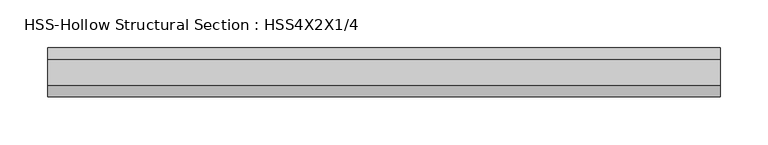
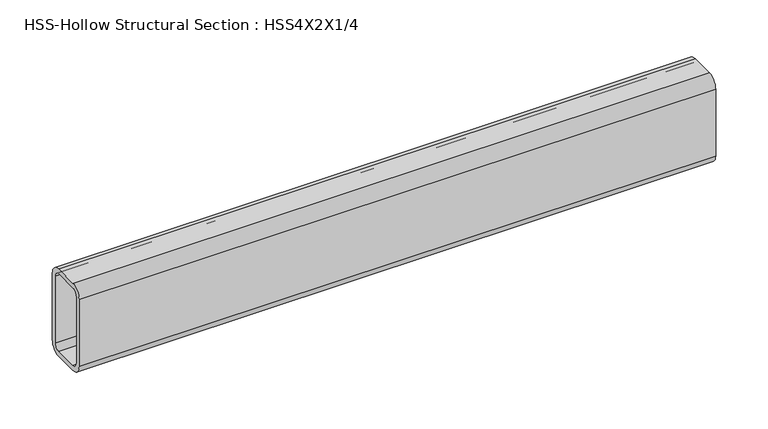
"""IFC4 building model written with IfcOpenShell, lengths in millimetres: beam geometry, HSS-Hollow Structural Section : HSS4X2X1/4."""

from ifc_helpers import new_model, si_unit, point, frame, frame_2d, origin, place, context, project, spatial, polyline, circle_curve, trimmed, segment, composite_curve, outline, extrude, source, transform, mapped, element, save


def hss_hollow_structural_section_hss4x2x1_4_0cab690e(model_context):
    return source(origin(), model_context, "Body", "SweptSolid", [
        extrude(outline(composite_curve([segment(polyline([(25.4, 38.9636), (25.4, -38.9636)]), True, "CONTINUOUS"), segment(trimmed(circle_curve(frame_2d((13.5636, -38.9636)), 11.8364), [point((25.4, -38.9636))], [point((13.5636, -50.8))], False, "CARTESIAN"), True, "CONTINUOUS"), segment(polyline([(13.5636, -50.8), (-13.5636, -50.8)]), True, "CONTINUOUS"), segment(trimmed(circle_curve(frame_2d((-13.5636, -38.9636)), 11.8364), [point((-13.5636, -50.8))], [point((-25.4, -38.9636))], False, "CARTESIAN"), True, "CONTINUOUS"), segment(polyline([(-25.4, -38.9636), (-25.4, 38.9636)]), True, "CONTINUOUS"), segment(trimmed(circle_curve(frame_2d((-13.5636, 38.9636)), 11.8364), [point((-25.4, 38.9636))], [point((-13.5636, 50.8))], False, "CARTESIAN"), True, "CONTINUOUS"), segment(polyline([(-13.5636, 50.8), (13.5636, 50.8)]), True, "CONTINUOUS"), segment(trimmed(circle_curve(frame_2d((13.5636, 38.9636)), 11.8364), [point((13.5636, 50.8))], [point((25.4, 38.9636))], False, "CARTESIAN"), True, "CONTINUOUS")], self_intersect=False), holes=[composite_curve([segment(trimmed(circle_curve(frame_2d((-13.5636, 38.9636)), 5.9182), [point((-13.5636, 44.8818))], [point((-19.4818, 38.9636))], True, "CARTESIAN"), True, "CONTINUOUS"), segment(polyline([(-19.4818, 38.9636), (-19.4818, -38.9636)]), True, "CONTINUOUS"), segment(trimmed(circle_curve(frame_2d((-13.5636, -38.9636)), 5.9182), [point((-19.4818, -38.9636))], [point((-13.5636, -44.8818))], True, "CARTESIAN"), True, "CONTINUOUS"), segment(polyline([(-13.5636, -44.8818), (13.5636, -44.8818)]), True, "CONTINUOUS"), segment(trimmed(circle_curve(frame_2d((13.5636, -38.9636)), 5.9182), [point((13.5636, -44.8818))], [point((19.4818, -38.9636))], True, "CARTESIAN"), True, "CONTINUOUS"), segment(polyline([(19.4818, -38.9636), (19.4818, 38.9636)]), True, "CONTINUOUS"), segment(trimmed(circle_curve(frame_2d((13.5636, 38.9636)), 5.9182), [point((19.4818, 38.9636))], [point((13.5636, 44.8818))], True, "CARTESIAN"), True, "CONTINUOUS"), segment(polyline([(13.5636, 44.8818), (-13.5636, 44.8818)]), True, "CONTINUOUS")], self_intersect=False)]), frame((-350.1998203, 0.0, 0.0), z_axis=(1.0, 0.0, 0.0), x_axis=(0.0, 1.0, 0.0)), (0.0, 0.0, 1.0), 700.3996407),
    ])


if __name__ == "__main__":
    model = new_model("IFC4")
    model_context = context("Model", 3, world=origin())
    ifc_project = project(units=[si_unit("LENGTHUNIT", "METRE", prefix="MILLI")], contexts=[model_context])
    site = spatial("IfcSite", under=ifc_project)
    building = spatial("IfcBuilding", under=site)
    placement = place(None, origin())
    hss_hollow_structural_section_hss4x2x1_4_shape = hss_hollow_structural_section_hss4x2x1_4_0cab690e(model_context)
    element("IfcBeam", 1, ObjectType="HSS-Hollow Structural Section : HSS4X2X1/4", at=placement, inside=building, context=model_context, shape_type="MappedRepresentation", body=[
        mapped(hss_hollow_structural_section_hss4x2x1_4_shape, transform((0.0, 0.0, 0.0), x_axis=(1.0, 0.0, 0.0), y_axis=(0.0, 1.0, 0.0), z_axis=(0.0, 0.0, 1.0))),
    ])
    save(model, "model.ifc")
